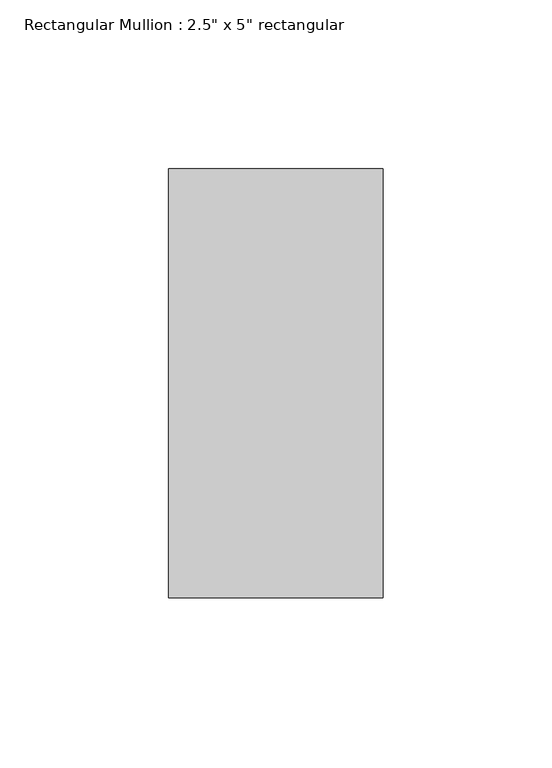
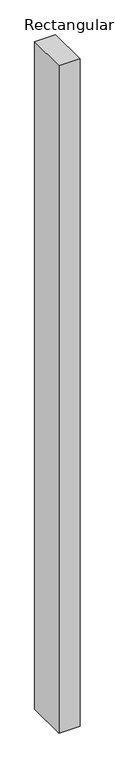
"""IFC4 building model written with IfcOpenShell, lengths in millimetres: member geometry."""

from ifc_helpers import new_model, si_unit, frame, origin, place, context, project, spatial, polyline, outline, extrude, source, transform, mapped, element, save


def member_b5304a49(model_context):
    return source(origin(), model_context, "Body", "SweptSolid", [
        extrude(outline(polyline([(0.0, 63.5), (0.0, -63.5), (-63.5, -63.5), (-63.5, 63.5), (0.0, 63.5)])), frame((0.0, 0.0, -2134.251873), z_axis=(0.0, 0.0, 1.0), x_axis=(1.0, 0.0, 0.0)), (0.0, 0.0, 1.0), 2134.251873),
    ])


if __name__ == "__main__":
    model = new_model("IFC4")
    model_context = context("Model", 3, world=origin())
    ifc_project = project(units=[si_unit("LENGTHUNIT", "METRE", prefix="MILLI")], contexts=[model_context])
    site = spatial("IfcSite", under=ifc_project)
    building = spatial("IfcBuilding", under=site)
    placement = place(None, origin())
    member_shape = member_b5304a49(model_context)
    element("IfcMember", 1, ObjectType="Rectangular Mullion : 2.5\" x 5\" rectangular", at=placement, inside=building, context=model_context, shape_type="MappedRepresentation", body=[
        mapped(member_shape, transform((0.0, 0.0, 0.0), x_axis=(1.0, 0.0, 0.0), y_axis=(0.0, 1.0, 0.0), z_axis=(0.0, 0.0, 1.0))),
    ])
    save(model, "model.ifc")
